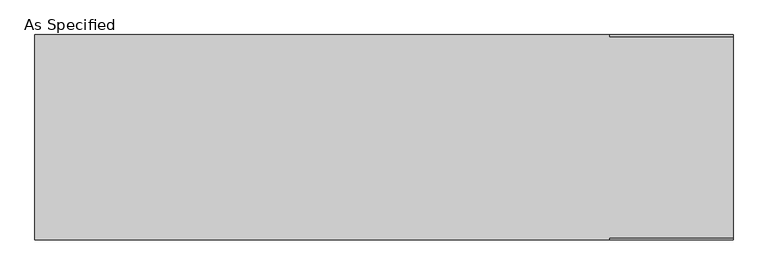
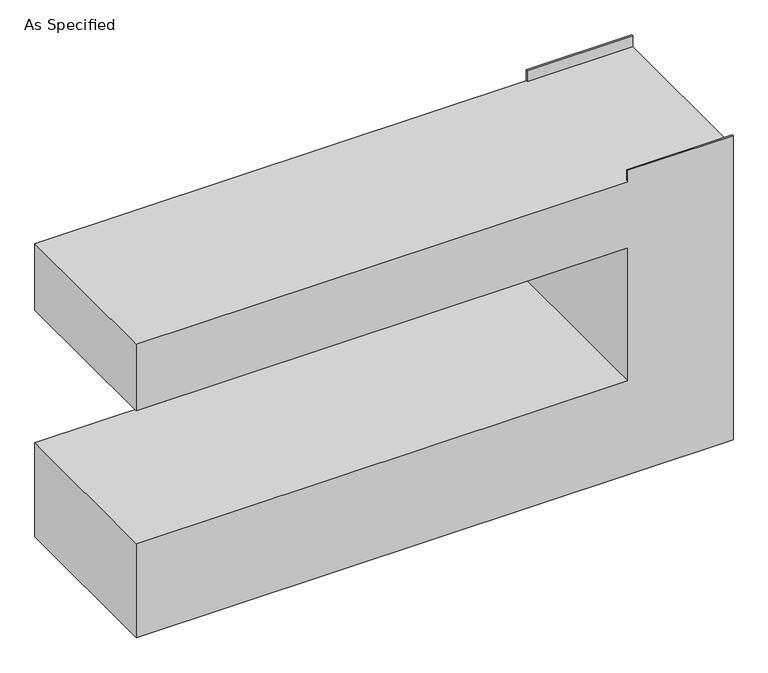
"""IFC4 building model written with IfcOpenShell, lengths in millimetres: proxy geometry, As Specified."""

from ifc_helpers import new_model, si_unit, origin, place, context, project, spatial, faceted_brep, source, transform, mapped, element, save


def as_specified_5c94c6b9(model_context):
    return source(origin(), model_context, "Body", "Brep", [
        faceted_brep([(-1295.4, 381.0, 1346.2), (-1295.4, -381.0, 1346.2), (838.2, -381.0, 1346.2), (838.2, -374.65, 1346.2), (1295.4, -374.65, 1346.2), (1295.4, 374.65, 1346.2), (838.2, 374.65, 1346.2), (838.2, 381.0, 1346.2), (1295.4, 381.0, 0.0), (1295.4, -381.0, 0.0), (-1295.4, -381.0, 0.0), (-1295.4, 381.0, 0.0), (-1295.4, 381.0, 431.8), (838.2, 381.0, 431.8), (838.2, 381.0, 1041.4), (-1295.4, 381.0, 1041.4), (838.2, 381.0, 1397.0), (1295.4, 381.0, 1397.0), (-1295.4, -381.0, 1041.4), (-1295.4, -381.0, 431.8), (1295.4, -381.0, 1397.0), (838.2, -381.0, 1397.0), (838.2, -381.0, 1041.4), (838.2, -381.0, 431.8), (1295.4, 374.65, 1397.0), (1295.4, -374.65, 1397.0), (838.2, -374.65, 1397.0), (838.2, 374.65, 1397.0)], [[[0, 1, 2, 3, 4, 5, 6, 7]], [[8, 9, 10, 11]], [[8, 11, 12, 13, 14, 15, 0, 7, 16, 17]], [[1, 0, 15, 18]], [[11, 10, 19, 12]], [[10, 9, 20, 21, 2, 1, 18, 22, 23, 19]], [[9, 8, 17, 24, 5, 4, 25, 20]], [[23, 13, 12, 19]], [[13, 23, 22, 14]], [[14, 22, 18, 15]], [[21, 26, 3, 2]], [[26, 21, 20, 25]], [[3, 26, 25, 4]], [[16, 7, 6, 27]], [[16, 27, 24, 17]], [[27, 6, 5, 24]]]),
    ])


if __name__ == "__main__":
    model = new_model("IFC4")
    model_context = context("Model", 3, world=origin())
    ifc_project = project(units=[si_unit("LENGTHUNIT", "METRE", prefix="MILLI")], contexts=[model_context])
    site = spatial("IfcSite", under=ifc_project)
    building = spatial("IfcBuilding", under=site)
    placement = place(None, origin())
    as_specified_shape = as_specified_5c94c6b9(model_context)
    element("IfcBuildingElementProxy", 1, Name="As Specified", ObjectType="As Specified", at=placement, inside=building, context=model_context, shape_type="MappedRepresentation", body=[
        mapped(as_specified_shape, transform((0.0, 0.0, 0.0), x_axis=(1.0, 0.0, 0.0), y_axis=(0.0, 1.0, 0.0), z_axis=(0.0, 0.0, 1.0))),
    ])
    save(model, "model.ifc")
